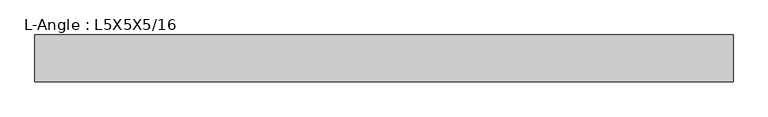
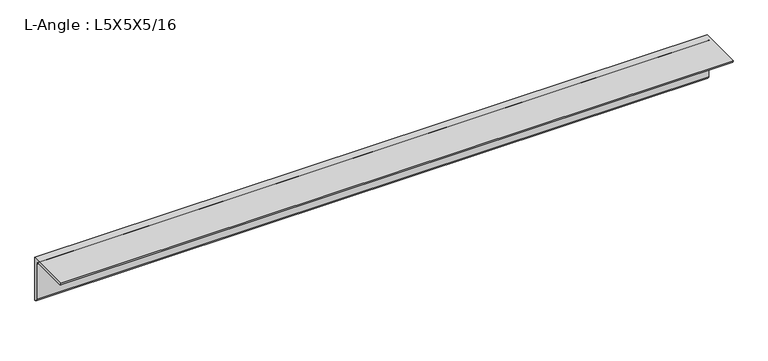
"""IFC4 building model written with IfcOpenShell, lengths in millimetres: beam geometry, L-Angle : L5X5X5/16."""

from ifc_helpers import new_model, si_unit, point, frame, frame_2d, origin, place, context, project, spatial, polyline, circle_curve, trimmed, segment, composite_curve, outline, extrude, source, transform, mapped, element, save


def l_angle_l5x5x5_16_1207f990(model_context):
    return source(origin(), model_context, "Body", "SweptSolid", [
        extrude(outline(composite_curve([segment(polyline([(34.3296875, 34.3296875), (34.3296875, -92.6703125)]), True, "CONTINUOUS"), segment(trimmed(circle_curve(frame_2d((34.3296875, -84.7328125)), 7.9375), [point((34.3296875, -92.6703125))], [point((26.3921875, -84.7328125))], False, "CARTESIAN"), True, "CONTINUOUS"), segment(polyline([(26.3921875, -84.7328125), (26.3921875, 18.4546875)]), True, "CONTINUOUS"), segment(trimmed(circle_curve(frame_2d((18.4546875, 18.4546875)), 7.9375), [point((26.3921875, 18.4546875))], [point((18.4546875, 26.3921875))], True, "CARTESIAN"), True, "CONTINUOUS"), segment(polyline([(18.4546875, 26.3921875), (-84.7328125, 26.3921875)]), True, "CONTINUOUS"), segment(trimmed(circle_curve(frame_2d((-84.7328125, 34.3296875)), 7.9375), [point((-84.7328125, 26.3921875))], [point((-92.6703125, 34.3296875))], False, "CARTESIAN"), True, "CONTINUOUS"), segment(polyline([(-92.6703125, 34.3296875), (34.3296875, 34.3296875)]), True, "CONTINUOUS")], self_intersect=False)), frame((-901.4519531, 0.0, 0.0), z_axis=(1.0, 0.0, 0.0), x_axis=(0.0, 1.0, 0.0)), (0.0, 0.0, 1.0), 1892.0519531),
    ])


if __name__ == "__main__":
    model = new_model("IFC4")
    model_context = context("Model", 3, world=origin())
    ifc_project = project(units=[si_unit("LENGTHUNIT", "METRE", prefix="MILLI")], contexts=[model_context])
    site = spatial("IfcSite", under=ifc_project)
    building = spatial("IfcBuilding", under=site)
    placement = place(None, origin())
    l_angle_l5x5x5_16_shape = l_angle_l5x5x5_16_1207f990(model_context)
    element("IfcBeam", 1, ObjectType="L-Angle : L5X5X5/16", at=placement, inside=building, context=model_context, shape_type="MappedRepresentation", body=[
        mapped(l_angle_l5x5x5_16_shape, transform((0.0, 0.0, 0.0), x_axis=(1.0, 0.0, 0.0), y_axis=(0.0, 1.0, 0.0), z_axis=(0.0, 0.0, 1.0))),
    ])
    save(model, "model.ifc")
